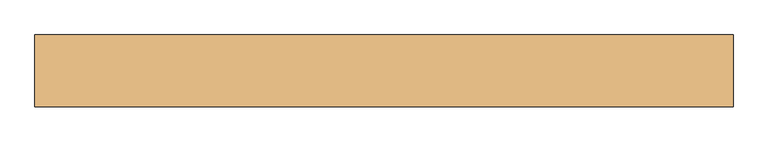
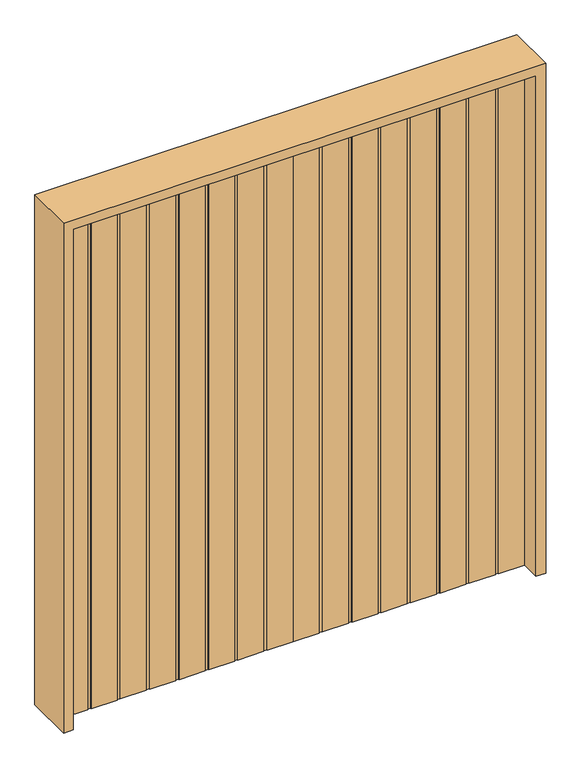
"""IFC4 building model written with IfcOpenShell, lengths in millimetres: door geometry."""

import ifcopenshell
import ifcopenshell.guid

model = None  # the IFC model being written
_history = None  # IfcOwnerHistory: only IFC2X3 demands one
_inside = {}  # id of a spatial element -> (the spatial element, [elements in it])
_under = {}  # id of a project, library or spatial element -> (it, [spatial elements below it])
_declared = {}  # id of a project -> (the project, [libraries it declares])
_typed = {}  # id of a type object -> (the type object, [elements of that type])
_made_of = {}  # id of a material, layer set ... -> (it, [elements and type objects made of it])


def new_model(schema):
    """Start an empty IFC model of exactly this schema.

    Asked for "IFC4X3", IfcOpenShell would pick the latest addendum, in which some entities
    have other attributes; the version numbers below select the first issue.
    IFC2X3 requires an IfcOwnerHistory on every rooted entity: one is made here for all.
    """
    global model, _history
    if schema == "IFC4X3":
        model = ifcopenshell.file(schema_version=(4, 3, 0, 0))
    else:
        model = ifcopenshell.file(schema=schema)
    _inside.clear()
    _under.clear()
    _declared.clear()
    _typed.clear()
    _made_of.clear()
    _history = None
    if model.schema == "IFC2X3":
        org = make("IfcOrganization", Name="unknown")
        user = make(
            "IfcPersonAndOrganization",
            ThePerson=make("IfcPerson", FamilyName="unknown"),
            TheOrganization=org,
        )
        app = make(
            "IfcApplication",
            ApplicationDeveloper=org,
            Version="unknown",
            ApplicationFullName="unknown",
            ApplicationIdentifier="unknown",
        )
        _history = make(
            "IfcOwnerHistory",
            OwningUser=user,
            OwningApplication=app,
            ChangeAction="ADDED",
            CreationDate=0,
        )
    return model


def make(cls, **values):
    """One entity of the class cls with the attributes given. An attribute that is None is left unset."""
    return model.create_entity(
        cls, **{name: value for name, value in values.items() if value is not None}
    )


def rooted(cls, **values):
    """An entity with a GlobalId (a new one), such as an element, a storey or a relation."""
    return make(cls, GlobalId=ifcopenshell.guid.new(), OwnerHistory=_history, **values)


def si_unit(unit_type, name, prefix=None):
    """IfcSIUnit, for example si_unit("LENGTHUNIT", "METRE", prefix="MILLI")."""
    return make("IfcSIUnit", UnitType=unit_type, Prefix=prefix, Name=name)


def assignment(units):
    """IfcUnitAssignment: the units of a project."""
    return None if units is None else make("IfcUnitAssignment", Units=units)


def point(xyz):
    """IfcCartesianPoint."""
    return None if xyz is None else make("IfcCartesianPoint", Coordinates=xyz)


def direction(xyz):
    """IfcDirection."""
    return None if xyz is None else make("IfcDirection", DirectionRatios=xyz)


def frame(location, z_axis=None, x_axis=None):
    """IfcAxis2Placement3D, a coordinate frame: its origin and axes. An axis left out is left unset."""
    return make(
        "IfcAxis2Placement3D",
        Location=point(location),
        Axis=direction(z_axis),
        RefDirection=direction(x_axis),
    )


def origin():
    """The frame at (0, 0, 0) with its axes left unset."""
    return frame((0.0, 0.0, 0.0))


def origin_with_axes():
    """The frame at (0, 0, 0) with the z axis (0, 0, 1) and the x axis (1, 0, 0) written out."""
    return frame((0.0, 0.0, 0.0), z_axis=(0.0, 0.0, 1.0), x_axis=(1.0, 0.0, 0.0))


def place(relative_to, where):
    """IfcLocalPlacement: puts the frame where relative to a parent placement (None: the world)."""
    return make(
        "IfcLocalPlacement", PlacementRelTo=relative_to, RelativePlacement=where
    )


def context(
    kind, dimensions, precision=None, world=None, true_north=None, identifier=None
):
    """IfcGeometricRepresentationContext, for example the 3D "Model" context."""
    return make(
        "IfcGeometricRepresentationContext",
        ContextIdentifier=identifier,
        ContextType=kind,
        CoordinateSpaceDimension=dimensions,
        Precision=precision,
        WorldCoordinateSystem=world,
        TrueNorth=true_north,
    )


def project(units=None, contexts=None):
    """IfcProject with its units and contexts."""
    return rooted(
        "IfcProject",
        Name="project",
        RepresentationContexts=contexts,
        UnitsInContext=assignment(units),
    )


def spatial(cls, under=None, at=None, **own):
    """A site, building, storey or space (cls), placed at a placement, below another one or the project."""
    s = rooted(cls, ObjectPlacement=at, **own)
    if under is not None:
        _under.setdefault(under.id(), (under, []))[1].append(s)
    return s


def polyline(points):
    """IfcPolyline through the points."""
    return make("IfcPolyline", Points=[point(p) for p in points])


def outline(outer, holes=None, kind="AREA"):
    """IfcArbitraryClosedProfileDef: a profile drawn as a closed curve; with holes, ...WithVoids."""
    if holes is None:
        return make("IfcArbitraryClosedProfileDef", ProfileType=kind, OuterCurve=outer)
    return make(
        "IfcArbitraryProfileDefWithVoids",
        ProfileType=kind,
        OuterCurve=outer,
        InnerCurves=holes,
    )


def extrude(swept, where, along, depth):
    """IfcExtrudedAreaSolid: the profile swept, set in the frame where, extruded along a direction by depth."""
    return make(
        "IfcExtrudedAreaSolid",
        SweptArea=swept,
        Position=where,
        ExtrudedDirection=direction(along),
        Depth=depth,
    )


def shape(context_of_items, identifier, shape_type, items):
    """IfcShapeRepresentation: the items that make up one representation, for example the "Body"."""
    return make(
        "IfcShapeRepresentation",
        ContextOfItems=context_of_items,
        RepresentationIdentifier=identifier,
        RepresentationType=shape_type,
        Items=items,
    )


def source(mapping_origin, context_of_items, identifier, shape_type, items):
    """IfcRepresentationMap: a shape defined once, which mapped items show again and again."""
    return make(
        "IfcRepresentationMap",
        MappingOrigin=mapping_origin,
        MappedRepresentation=shape(context_of_items, identifier, shape_type, items),
    )


def transform(
    local_origin,
    x_axis=None,
    y_axis=None,
    z_axis=None,
    scale=None,
    scale2=None,
    scale3=None,
    uniform=True,
):
    """IfcCartesianTransformationOperator3D, or its non-uniform kind. x_axis, y_axis, z_axis: its Axis1, 2, 3."""
    if uniform:
        return make(
            "IfcCartesianTransformationOperator3D",
            Axis1=direction(x_axis),
            Axis2=direction(y_axis),
            LocalOrigin=point(local_origin),
            Scale=scale,
            Axis3=direction(z_axis),
        )
    return make(
        "IfcCartesianTransformationOperator3DnonUniform",
        Axis1=direction(x_axis),
        Axis2=direction(y_axis),
        LocalOrigin=point(local_origin),
        Scale=scale,
        Axis3=direction(z_axis),
        Scale2=scale2,
        Scale3=scale3,
    )


def mapped(mapping_source, mapping_target):
    """IfcMappedItem: shows the shape of a source again, moved by a transform."""
    return make(
        "IfcMappedItem", MappingSource=mapping_source, MappingTarget=mapping_target
    )


def made_of(thing, what):
    """Note that an element or type object is made of a material, layer set ...; save() writes the relation."""
    if what is not None:
        _made_of.setdefault(what.id(), (what, []))[1].append(thing)
    return thing


def element(
    cls,
    number,
    at=None,
    inside=None,
    cuts=None,
    type_object=None,
    material=None,
    context=None,
    identifier="Body",
    shape_type=None,
    held_by="IfcProductDefinitionShape",
    body=None,
    shapes=None,
    **own,
):
    """One element of the class cls, such as IfcWall. Its Tag is "e" and its number.

    at: its placement. inside: the storey or other place that contains it. cuts: it is an
    opening in that element (IfcRelVoidsElement). A single representation is given by context,
    identifier, shape_type and body (its items); several are given by shapes. held_by: the class
    of the entity that holds the representations. save() writes the other relations.
    """
    e = rooted(cls, Tag="e%d" % number, ObjectPlacement=at, **own)
    if body is not None:
        shapes = [shape(context, identifier, shape_type, body)]
    if shapes is not None:
        e.Representation = make(held_by, Representations=shapes)
    if inside is not None:
        _inside.setdefault(inside.id(), (inside, []))[1].append(e)
    if cuts is not None:
        rooted(
            "IfcRelVoidsElement", RelatingBuildingElement=cuts, RelatedOpeningElement=e
        )
    if type_object is not None:
        _typed.setdefault(type_object.id(), (type_object, []))[1].append(e)
    return made_of(e, material)


def aggregate(whole, parts):
    """IfcRelAggregates: a whole, such as a stair, and the parts it consists of."""
    return rooted("IfcRelAggregates", RelatingObject=whole, RelatedObjects=parts)


def save(model, path):
    """Write the relations noted so far, then the file.

    IfcRelAggregates (storeys below a building ...), IfcRelContainedInSpatialStructure (elements
    in a storey), IfcRelDefinesByType, IfcRelAssociatesMaterial and IfcRelDeclares: one each for
    every whole, place, type object, material and project.
    """
    for whole, parts in _under.values():
        aggregate(whole, parts)
    for where, things in _inside.values():
        rooted(
            "IfcRelContainedInSpatialStructure",
            RelatedElements=things,
            RelatingStructure=where,
        )
    for kind, things in _typed.values():
        rooted("IfcRelDefinesByType", RelatedObjects=things, RelatingType=kind)
    for what, things in _made_of.values():
        rooted("IfcRelAssociatesMaterial", RelatedObjects=things, RelatingMaterial=what)
    for by, libraries in _declared.values():
        rooted("IfcRelDeclares", RelatingContext=by, RelatedDefinitions=libraries)
    model.write(path)


def door_9c7750ad(model_context):
    return source(origin(), model_context, "Body", "SweptSolid", [
        extrude(outline(polyline([(0.0, 22.225), (0.0, -22.225), (-120.1539063, -22.225), (-120.1539063, -19.05), (-135.4335938, -19.05), (-135.4335938, -22.225), (-255.3559896, -22.225), (-255.3559896, -19.05), (-270.6356771, -19.05), (-270.6356771, -22.225), (-390.5580729, -22.225), (-390.5580729, -19.05), (-405.8377604, -19.05), (-405.8377604, -22.225), (-525.7601563, -22.225), (-525.7601563, -19.05), (-541.0398438, -19.05), (-541.0398438, -22.225), (-660.9622396, -22.225), (-660.9622396, -19.05), (-676.2419271, -19.05), (-676.2419271, -22.225), (-796.1643229, -22.225), (-796.1643229, -19.05), (-811.4440104, -19.05), (-811.4440104, -22.225), (-931.3664063, -22.225), (-931.3664063, -19.05), (-946.6460938, -19.05), (-946.6460938, -22.225), (-1066.8, -22.225), (-1066.8, 22.225), (-946.6460938, 22.225), (-946.6460938, 19.05), (-931.3664063, 19.05), (-931.3664063, 22.225), (-811.4440104, 22.225), (-811.4440104, 19.05), (-796.1643229, 19.05), (-796.1643229, 22.225), (-676.2419271, 22.225), (-676.2419271, 19.05), (-660.9622396, 19.05), (-660.9622396, 22.225), (-541.0398438, 22.225), (-541.0398438, 19.05), (-525.7601563, 19.05), (-525.7601563, 22.225), (-405.8377604, 22.225), (-405.8377604, 19.05), (-390.5580729, 19.05), (-390.5580729, 22.225), (-270.6356771, 22.225), (-270.6356771, 19.05), (-255.3559896, 19.05), (-255.3559896, 22.225), (-135.4335938, 22.225), (-135.4335938, 19.05), (-120.1539063, 19.05), (-120.1539063, 22.225), (0.0, 22.225)])), origin_with_axes(), (0.0, 0.0, 1.0), 2438.4),
        extrude(outline(polyline([(0.0, 22.225), (120.1539062, 22.225), (120.1539062, 19.05), (135.4335937, 19.05), (135.4335937, 22.225), (255.3559896, 22.225), (255.3559896, 19.05), (270.6356771, 19.05), (270.6356771, 22.225), (390.5580729, 22.225), (390.5580729, 19.05), (405.8377604, 19.05), (405.8377604, 22.225), (525.7601562, 22.225), (525.7601562, 19.05), (541.0398437, 19.05), (541.0398437, 22.225), (660.9622396, 22.225), (660.9622396, 19.05), (676.2419271, 19.05), (676.2419271, 22.225), (796.1643229, 22.225), (796.1643229, 19.05), (811.4440104, 19.05), (811.4440104, 22.225), (931.3664062, 22.225), (931.3664062, 19.05), (946.6460937, 19.05), (946.6460937, 22.225), (1066.8, 22.225), (1066.8, -22.225), (946.6460937, -22.225), (946.6460937, -19.05), (931.3664062, -19.05), (931.3664062, -22.225), (811.4440104, -22.225), (811.4440104, -19.05), (796.1643229, -19.05), (796.1643229, -22.225), (676.2419271, -22.225), (676.2419271, -19.05), (660.9622396, -19.05), (660.9622396, -22.225), (541.0398437, -22.225), (541.0398437, -19.05), (525.7601562, -19.05), (525.7601562, -22.225), (405.8377604, -22.225), (405.8377604, -19.05), (390.5580729, -19.05), (390.5580729, -22.225), (270.6356771, -22.225), (270.6356771, -19.05), (255.3559896, -19.05), (255.3559896, -22.225), (135.4335937, -22.225), (135.4335937, -19.05), (120.1539062, -19.05), (120.1539062, -22.225), (0.0, -22.225), (0.0, 22.225)])), origin_with_axes(), (0.0, 0.0, 1.0), 2438.4),
        extrude(outline(polyline([(0.0, -1111.25), (0.0, -1066.8), (2438.4, -1066.8), (2438.4, 1066.8), (0.0, 1066.8), (0.0, 1111.25), (2482.85, 1111.25), (2482.85, -1111.25), (0.0, -1111.25)])), frame((0.0, -114.3, 0.0), z_axis=(0.0, 1.0, 0.0), x_axis=(0.0, 0.0, 1.0)), (0.0, 0.0, 1.0), 228.6),
    ])


if __name__ == "__main__":
    model = new_model("IFC4")
    model_context = context("Model", 3, world=origin())
    ifc_project = project(units=[si_unit("LENGTHUNIT", "METRE", prefix="MILLI")], contexts=[model_context])
    site = spatial("IfcSite", under=ifc_project)
    building = spatial("IfcBuilding", under=site)
    placement = place(None, origin())
    door_shape = door_9c7750ad(model_context)
    element("IfcDoor", 1, at=placement, inside=building, context=model_context, shape_type="MappedRepresentation", body=[
        mapped(door_shape, transform((0.0, 0.0, 0.0), x_axis=(1.0, 0.0, 0.0), y_axis=(0.0, 1.0, 0.0), z_axis=(0.0, 0.0, 1.0))),
    ])
    save(model, "model.ifc")
